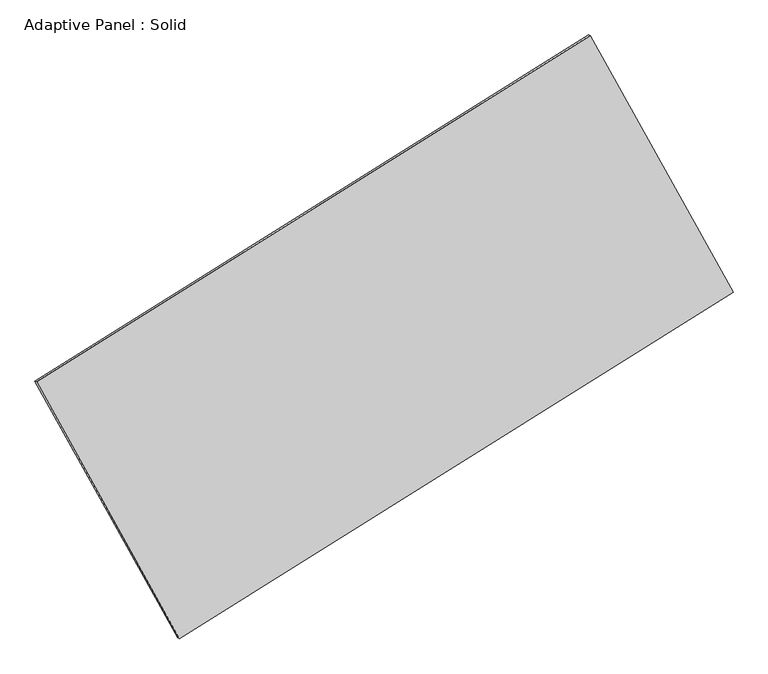
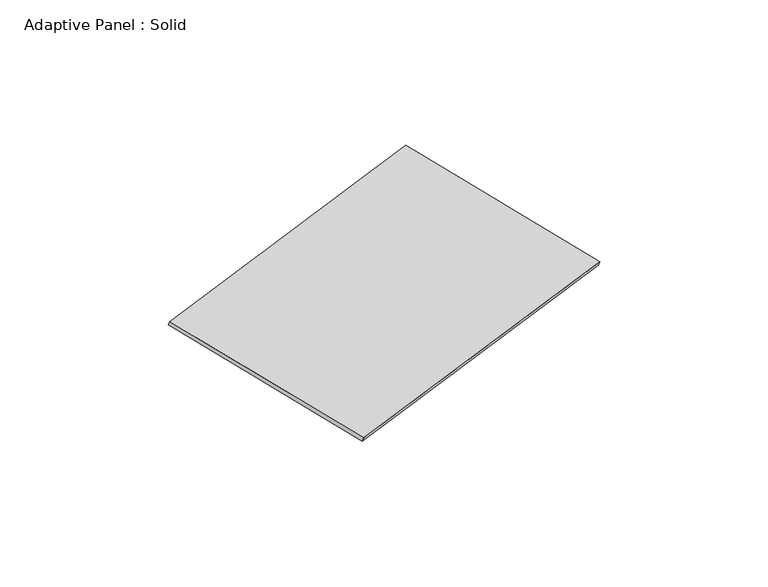
"""IFC4 building model written with IfcOpenShell, lengths in millimetres: plate geometry, Adaptive Panel : Solid."""

from ifc_helpers import new_model, si_unit, frame, origin, place, context, project, spatial, polyline, outline, extrude, source, transform, mapped, element, save


def adaptive_panel_solid_029602cc(model_context):
    return source(origin(), model_context, "Body", "SweptSolid", [
        extrude(outline(polyline([(-1345.3378938, 2942.398539), (1346.1755023, 2942.398539), (1345.3378394, -2942.7816338), (-1346.1754478, -2942.0154444), (-1345.3378938, 2942.398539)])), frame((-650.8226445, -100.0621432, 871.2806301), z_axis=(0.2933271166111759, -0.1276018692868709, 0.947458160350667), x_axis=(0.4695653572147946, -0.8440393640678086, -0.25904811755299784)), (0.0, 0.0, 1.0), 50.0),
    ])


if __name__ == "__main__":
    model = new_model("IFC4")
    model_context = context("Model", 3, world=origin())
    ifc_project = project(units=[si_unit("LENGTHUNIT", "METRE", prefix="MILLI")], contexts=[model_context])
    site = spatial("IfcSite", under=ifc_project)
    building = spatial("IfcBuilding", under=site)
    placement = place(None, origin())
    adaptive_panel_solid_shape = adaptive_panel_solid_029602cc(model_context)
    element("IfcPlate", 1, ObjectType="Adaptive Panel : Solid", at=placement, inside=building, context=model_context, shape_type="MappedRepresentation", body=[
        mapped(adaptive_panel_solid_shape, transform((0.0, 0.0, 0.0), x_axis=(1.0, 0.0, 0.0), y_axis=(0.0, 1.0, 0.0), z_axis=(0.0, 0.0, 1.0))),
    ])
    save(model, "model.ifc")
